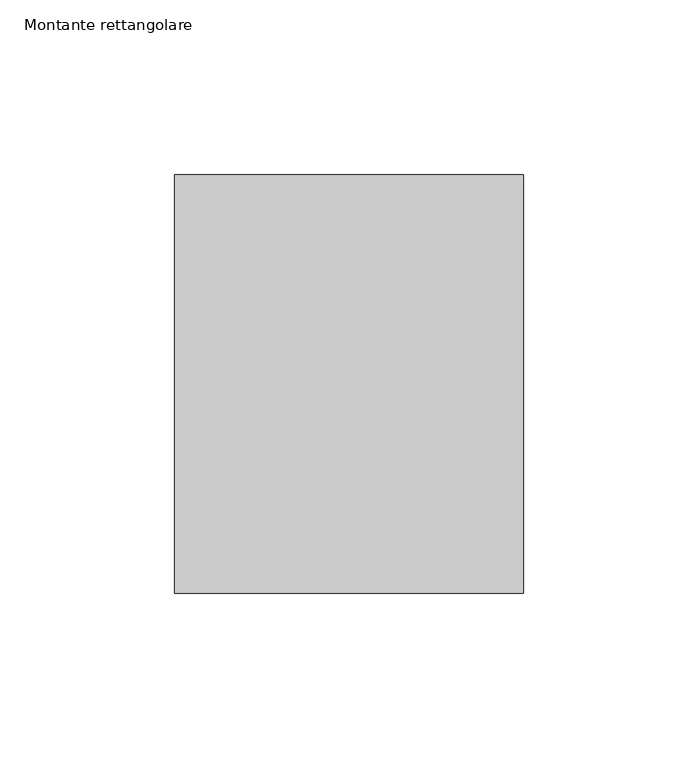
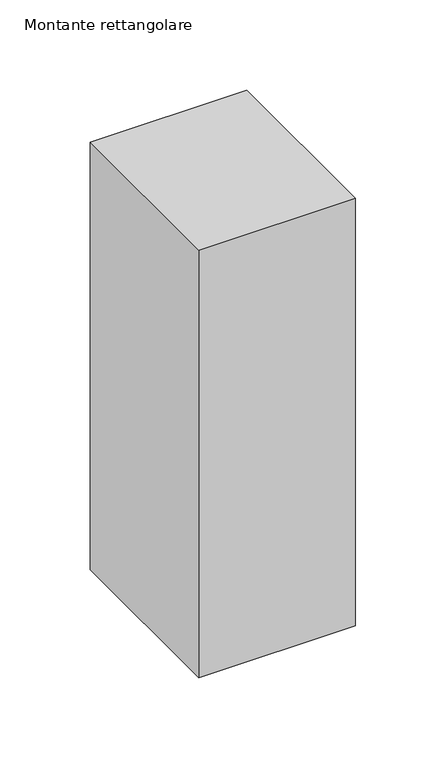
"""IFC4 building model written with IfcOpenShell, lengths in millimetres: member geometry, Montante rettangolare."""

from ifc_helpers import new_model, si_unit, frame, origin, place, context, project, spatial, polyline, outline, extrude, source, transform, mapped, element, save


def montante_rettangolare_8a88e9d1(model_context):
    return source(origin(), model_context, "Body", "SweptSolid", [
        extrude(outline(polyline([(50.0, 60.0), (50.0, -60.0), (-50.0, -60.0), (-50.0, 60.0), (50.0, 60.0)])), frame((0.0, 0.0, -288.6945674), z_axis=(0.0, 0.0, 1.0), x_axis=(1.0, 0.0, 0.0)), (0.0, 0.0, 1.0), 288.6945674),
    ])


if __name__ == "__main__":
    model = new_model("IFC4")
    model_context = context("Model", 3, world=origin())
    ifc_project = project(units=[si_unit("LENGTHUNIT", "METRE", prefix="MILLI")], contexts=[model_context])
    site = spatial("IfcSite", under=ifc_project)
    building = spatial("IfcBuilding", under=site)
    placement = place(None, origin())
    montante_rettangolare_shape = montante_rettangolare_8a88e9d1(model_context)
    element("IfcMember", 1, ObjectType="Montante rettangolare", at=placement, inside=building, context=model_context, shape_type="MappedRepresentation", body=[
        mapped(montante_rettangolare_shape, transform((0.0, 0.0, 0.0), x_axis=(1.0, 0.0, 0.0), y_axis=(0.0, 1.0, 0.0), z_axis=(0.0, 0.0, 1.0))),
    ])
    save(model, "model.ifc")
